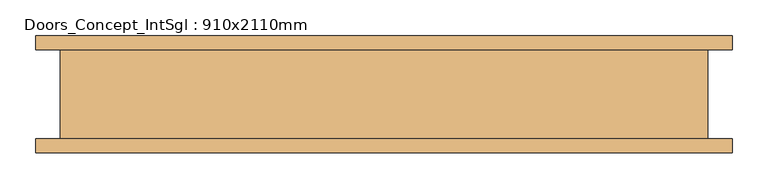
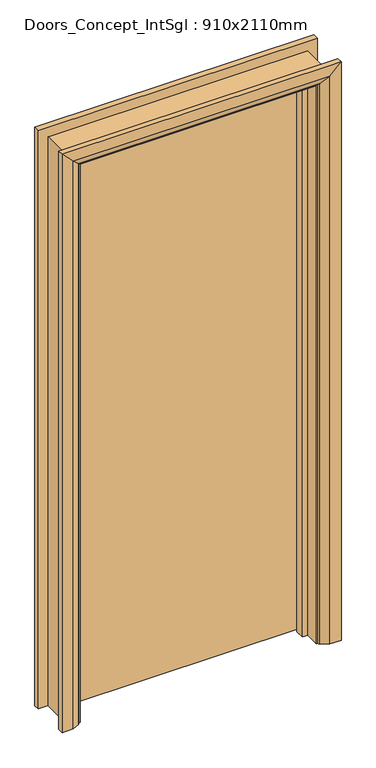
"""IFC4 building model written with IfcOpenShell, lengths in millimetres: door geometry, Doors_Concept_IntSgl : 910x2110mm."""

from ifc_helpers import new_model, si_unit, frame, origin, place, context, project, spatial, polyline, circle_curve, ellipse_curve, outline, extrude, faceted_brep, source, transform, mapped, element, save
from ifc_brep_helpers import plane_surface, cylinder_surface, advanced_brep


def doors_concept_intsgl_910x2110mm_c0637a6a(model_context):
    return source(origin(), model_context, "Body", "SolidModel", [
        extrude(outline(polyline([(413.0, 24.5), (-413.0, 24.5), (-413.0, 62.5), (413.0, 62.5), (413.0, 24.5)])), frame((0.0, 0.0, 8.0), z_axis=(0.0, 0.0, 1.0), x_axis=(1.0, 0.0, 0.0)), (0.0, 0.0, 1.0), 2060.0),
        advanced_brep(
        [(490.0, 82.5, 0.0), (490.0, 62.5, 0.0), (420.0, 62.5, 0.0), (424.0, 68.5, 0.0), (450.0, 82.5, 0.0), (490.0, 82.5, 2145.0), (490.0, 62.5, 2145.0), (-490.0, 62.5, 2145.0), (-490.0, 62.5, 0.0), (-420.0, 62.5, 0.0), (-420.0, 62.5, 2075.0), (420.0, 62.5, 2075.0), (424.0, 68.5, 2079.0), (450.0, 82.5, 2105.0), (-450.0, 82.5, 2105.0), (-450.0, 82.5, 0.0), (-490.0, 82.5, 0.0), (-490.0, 82.5, 2145.0), (-424.0, 68.5, 0.0), (-424.0, 68.5, 2079.0)],
        [
            (0, 1),
            (1, 2),
            (2, 3, circle_curve(frame((428.0, 61.5, 0.0), z_axis=(0.0, 0.0, -1.0), x_axis=(1.0, 0.0, 0.0)), 8.0622577)),
            (3, 4),
            (4, 0),
            (0, 5),
            (5, 6),
            (6, 1),
            (6, 7),
            (7, 8),
            (8, 9),
            (9, 10),
            (10, 11),
            (11, 2),
            (11, 12, ellipse_curve(frame((428.0, 61.5, 2083.0), z_axis=(0.7071067811865475, 0.0, -0.7071067811865475), x_axis=(-0.7071067811865474, 0.0, -0.7071067811865476)), 11.4017543, 8.0622577)),
            (12, 3),
            (12, 13),
            (13, 4),
            (13, 14),
            (14, 15),
            (15, 16),
            (16, 17),
            (17, 5),
            (7, 17),
            (16, 8),
            (15, 18),
            (18, 9, circle_curve(frame((-428.0, 61.5, 0.0), z_axis=(0.0, 0.0, -1.0), x_axis=(-1.0, 0.0, 0.0)), 8.0622577)),
            (19, 10, ellipse_curve(frame((-428.0, 61.5, 2083.0), z_axis=(-0.7071067811865475, 0.0, -0.7071067811865475), x_axis=(-0.7071067811865474, 0.0, 0.7071067811865476)), 11.4017543, 8.0622577)),
            (18, 19),
            (14, 19),
            (19, 12),
        ],
        [
            plane_surface(frame((420.0, 62.5, 0.0), z_axis=(0.0, 0.0, -1.0), x_axis=(0.0, -1.0, 0.0))),
            plane_surface(frame((490.0, 82.5, 0.0), z_axis=(1.0, 0.0, 0.0), x_axis=(0.0, 0.0, 1.0))),
            plane_surface(frame((490.0, 62.5, 0.0), z_axis=(0.0, -1.0, 0.0), x_axis=(0.0, 0.0, 1.0))),
            cylinder_surface(frame((428.0, 61.5, 0.0), z_axis=(0.0, 0.0, -1.0), x_axis=(1.0, 0.0, 0.0)), 8.0622577),
            plane_surface(frame((424.0, 68.5, 0.0), z_axis=(-0.4740998230350126, 0.880471099922178, 0.0), x_axis=(0.0, 0.0, 1.0))),
            plane_surface(frame((450.0, 82.5, 0.0), z_axis=(0.0, 1.0, 0.0), x_axis=(0.0, 0.0, 1.0))),
            plane_surface(frame((-490.0, 82.5, 2145.0), z_axis=(-1.0, 0.0, 0.0), x_axis=(0.0, 0.0, -1.0))),
            plane_surface(frame((-420.0, 62.5, 0.0), z_axis=(0.0, 0.0, -1.0), x_axis=(0.0, -1.0, 0.0))),
            cylinder_surface(frame((-428.0, 61.5, 2075.0), z_axis=(0.0, 0.0, 1.0), x_axis=(-1.0, 0.0, 0.0)), 8.0622577),
            plane_surface(frame((-424.0, 68.5, 2079.0), z_axis=(0.47409982303501824, 0.8804710999221749, 0.0), x_axis=(0.0, 0.0, -1.0))),
            plane_surface(frame((490.0, 82.5, 2145.0), z_axis=(0.0, 0.0, 1.0), x_axis=(-1.0, 0.0, 0.0))),
            cylinder_surface(frame((420.0, 61.5, 2083.0), z_axis=(1.0, 0.0, 0.0), x_axis=(0.0, 0.0, 1.0)), 8.0622577),
            plane_surface(frame((424.0, 68.5, 2079.0), z_axis=(0.0, 0.8804710999221764, -0.4740998230350154), x_axis=(-1.0, 0.0, 0.0))),
        ],
        [
            (0, [[1, 2, 3, 4, 5]]),
            (1, [[-1, 6, 7, 8]]),
            (2, [[-2, -8, 9, 10, 11, 12, 13, 14]]),
            (3, [[-3, -14, 15, 16]]),
            (4, [[-4, -16, 17, 18]]),
            (5, [[-5, -18, 19, 20, 21, 22, 23, -6]]),
            (6, [[24, -22, 25, -10]]),
            (7, [[-21, 26, 27, -11, -25]]),
            (8, [[28, -12, -27, 29]]),
            (9, [[30, -29, -26, -20]]),
            (10, [[-7, -23, -24, -9]]),
            (11, [[-15, -13, -28, 31]]),
            (12, [[-17, -31, -30, -19]]),
        ],
    ),
        extrude(outline(polyline([(0.0, -415.0), (0.0, -396.0), (2051.0, -396.0), (2051.0, 396.0), (0.0, 396.0), (0.0, 415.0), (2070.0, 415.0), (2070.0, -415.0), (0.0, -415.0)])), frame((0.0, -9.5, 0.0), z_axis=(0.0, 1.0, 0.0), x_axis=(0.0, 0.0, 1.0)), (0.0, 0.0, 1.0), 32.0),
        advanced_brep(
        [(-490.0, -82.5, 0.0), (-490.0, -62.5, 0.0), (-420.0, -62.5, 0.0), (-424.0, -68.5, 0.0), (-450.0, -82.5, 0.0), (-490.0, -82.5, 2145.0), (-490.0, -62.5, 2145.0), (-420.0, -62.5, 2075.0), (-424.0, -68.5, 2079.0), (-450.0, -82.5, 2105.0), (490.0, -82.5, 0.0), (450.0, -82.5, 0.0), (424.0, -68.5, 0.0), (420.0, -62.5, 0.0), (490.0, -62.5, 0.0), (490.0, -82.5, 2145.0), (450.0, -82.5, 2105.0), (424.0, -68.5, 2079.0), (420.0, -62.5, 2075.0), (490.0, -62.5, 2145.0)],
        [
            (0, 1),
            (1, 2),
            (2, 3, circle_curve(frame((-428.0, -61.5, 0.0), z_axis=(0.0, 0.0, -1.0), x_axis=(-1.0, 0.0, 0.0)), 8.0622577)),
            (3, 4),
            (4, 0),
            (0, 5),
            (5, 6),
            (6, 1),
            (6, 7),
            (7, 2),
            (7, 8, ellipse_curve(frame((-428.0, -61.5, 2083.0), z_axis=(-0.7071067811865475, 0.0, -0.7071067811865475), x_axis=(0.7071067811865474, 0.0, -0.7071067811865476)), 11.4017543, 8.0622577)),
            (8, 3),
            (8, 9),
            (9, 4),
            (9, 5),
            (10, 11),
            (11, 12),
            (12, 13, circle_curve(frame((428.0, -61.5, 0.0), z_axis=(0.0, 0.0, -1.0), x_axis=(1.0, 0.0, 0.0)), 8.0622577)),
            (13, 14),
            (14, 10),
            (15, 16),
            (16, 11),
            (10, 15),
            (16, 17),
            (17, 12),
            (17, 18, ellipse_curve(frame((428.0, -61.5, 2083.0), z_axis=(0.7071067811865475, 0.0, -0.7071067811865475), x_axis=(0.7071067811865474, 0.0, 0.7071067811865476)), 11.4017543, 8.0622577)),
            (18, 13),
            (18, 19),
            (19, 14),
            (19, 15),
            (5, 15),
            (19, 6),
            (18, 7),
            (17, 8),
            (16, 9),
        ],
        [
            plane_surface(frame((-420.0, -135.3010989, 0.0), z_axis=(0.0, 0.0, -1.0), x_axis=(1.0, 0.0, 0.0))),
            plane_surface(frame((-490.0, -82.5, 0.0), z_axis=(-1.0, 0.0, 0.0), x_axis=(0.0, 0.0, 1.0))),
            plane_surface(frame((-490.0, -62.5, 0.0), z_axis=(0.0, 1.0, 0.0), x_axis=(0.0, 0.0, 1.0))),
            cylinder_surface(frame((-428.0, -61.5, 0.0), z_axis=(0.0, 0.0, -1.0), x_axis=(-1.0, 0.0, 0.0)), 8.0622577),
            plane_surface(frame((-424.0, -68.5, 0.0), z_axis=(0.4740998230350183, -0.8804710999221749, 0.0), x_axis=(0.0, 0.0, 1.0))),
            plane_surface(frame((-450.0, -82.5, 0.0), z_axis=(0.0, -1.0, 0.0), x_axis=(0.0, 0.0, 1.0))),
            plane_surface(frame((420.0, -135.3010989, 0.0), z_axis=(0.0, 0.0, -1.0), x_axis=(-1.0, 0.0, 0.0))),
            plane_surface(frame((450.0, -82.5, 2105.0), z_axis=(0.0, -1.0, 0.0), x_axis=(0.0, 0.0, -1.0))),
            plane_surface(frame((424.0, -68.5, 2079.0), z_axis=(-0.4740998230350183, -0.8804710999221749, 0.0), x_axis=(0.0, 0.0, -1.0))),
            cylinder_surface(frame((428.0, -61.5, 2075.0), z_axis=(0.0, 0.0, 1.0), x_axis=(1.0, 0.0, 0.0)), 8.0622577),
            plane_surface(frame((490.0, -62.5, 2145.0), z_axis=(0.0, 1.0, 0.0), x_axis=(0.0, 0.0, -1.0))),
            plane_surface(frame((490.0, -82.5, 2145.0), z_axis=(1.0, 0.0, 0.0), x_axis=(0.0, 0.0, -1.0))),
            plane_surface(frame((-490.0, -82.5, 2145.0), z_axis=(0.0, 0.0, 1.0), x_axis=(1.0, 0.0, 0.0))),
            plane_surface(frame((-490.0, -62.5, 2145.0), z_axis=(0.0, 1.0, 0.0), x_axis=(1.0, 0.0, 0.0))),
            cylinder_surface(frame((-420.0, -61.5, 2083.0), z_axis=(-1.0, 0.0, 0.0), x_axis=(0.0, 0.0, 1.0)), 8.0622577),
            plane_surface(frame((-424.0, -68.5, 2079.0), z_axis=(0.0, -0.8804710999221749, -0.4740998230350183), x_axis=(1.0, 0.0, 0.0))),
            plane_surface(frame((-450.0, -82.5, 2105.0), z_axis=(0.0, -1.0, 0.0), x_axis=(1.0, 0.0, 0.0))),
        ],
        [
            (0, [[1, 2, 3, 4, 5]]),
            (1, [[-1, 6, 7, 8]]),
            (2, [[-2, -8, 9, 10]]),
            (3, [[-3, -10, 11, 12]]),
            (4, [[-4, -12, 13, 14]]),
            (5, [[-5, -14, 15, -6]]),
            (6, [[16, 17, 18, 19, 20]]),
            (7, [[21, 22, -16, 23]]),
            (8, [[24, 25, -17, -22]]),
            (9, [[26, 27, -18, -25]]),
            (10, [[28, 29, -19, -27]]),
            (11, [[30, -23, -20, -29]]),
            (12, [[-7, 31, -30, 32]]),
            (13, [[-9, -32, -28, 33]]),
            (14, [[-11, -33, -26, 34]]),
            (15, [[-13, -34, -24, 35]]),
            (16, [[-15, -35, -21, -31]]),
        ],
    ),
        faceted_brep([(-415.0, -62.5, 0.0), (-455.0, -62.5, 0.0), (-455.0, 62.5, 0.0), (-415.0, 62.5, 0.0), (-415.0, -62.5, 2070.0), (-455.0, -62.5, 2110.0), (-455.0, 62.5, 2110.0), (-415.0, 62.5, 2070.0), (415.0, -62.5, 0.0), (415.0, 62.5, 0.0), (455.0, 62.5, 0.0), (455.0, -62.5, 0.0), (415.0, -62.5, 2070.0), (415.0, 62.5, 2070.0), (455.0, 62.5, 2110.0), (455.0, -62.5, 2110.0)], [[[0, 1, 2, 3]], [[1, 0, 4, 5]], [[2, 1, 5, 6]], [[3, 2, 6, 7]], [[0, 3, 7, 4]], [[8, 9, 10, 11]], [[12, 13, 9, 8]], [[13, 14, 10, 9]], [[14, 15, 11, 10]], [[15, 12, 8, 11]], [[5, 4, 12, 15]], [[6, 5, 15, 14]], [[7, 6, 14, 13]], [[4, 7, 13, 12]]]),
    ])


if __name__ == "__main__":
    model = new_model("IFC4")
    model_context = context("Model", 3, world=origin())
    ifc_project = project(units=[si_unit("LENGTHUNIT", "METRE", prefix="MILLI")], contexts=[model_context])
    site = spatial("IfcSite", under=ifc_project)
    building = spatial("IfcBuilding", under=site)
    placement = place(None, origin())
    doors_concept_intsgl_910x2110mm_shape = doors_concept_intsgl_910x2110mm_c0637a6a(model_context)
    element("IfcDoor", 1, ObjectType="Doors_Concept_IntSgl : 910x2110mm", at=placement, inside=building, context=model_context, shape_type="MappedRepresentation", body=[
        mapped(doors_concept_intsgl_910x2110mm_shape, transform((0.0, 0.0, 0.0), x_axis=(1.0, 0.0, 0.0), y_axis=(0.0, 1.0, 0.0), z_axis=(0.0, 0.0, 1.0))),
    ])
    save(model, "model.ifc")
